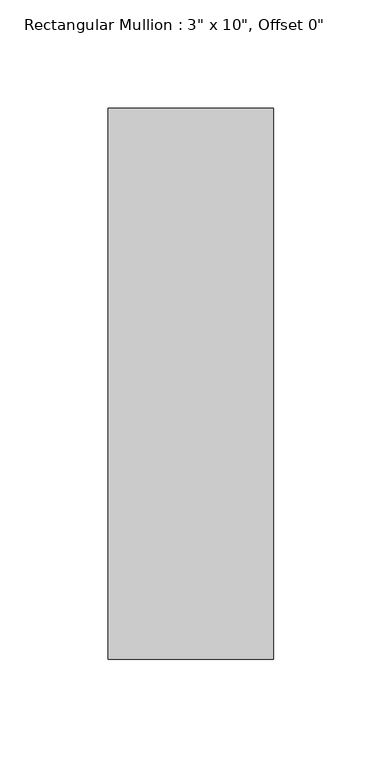
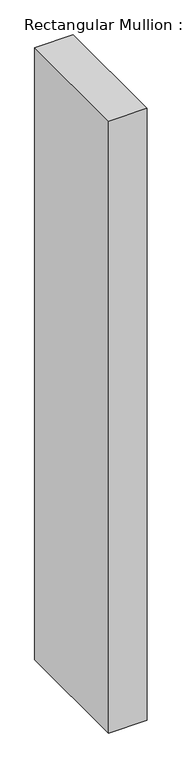
"""IFC4 building model written with IfcOpenShell, lengths in millimetres: member geometry."""

from ifc_helpers import new_model, si_unit, frame, origin, place, context, project, spatial, polyline, outline, extrude, source, transform, mapped, element, save


def member_295a52d1(model_context):
    return source(origin(), model_context, "Body", "SweptSolid", [
        extrude(outline(polyline([(0.0, 127.0), (0.0, -127.0), (-76.2, -127.0), (-76.2, 127.0), (0.0, 127.0)])), frame((0.0, 0.0, -1282.7), z_axis=(0.0, 0.0, 1.0), x_axis=(1.0, 0.0, 0.0)), (0.0, 0.0, 1.0), 1282.7),
    ])


if __name__ == "__main__":
    model = new_model("IFC4")
    model_context = context("Model", 3, world=origin())
    ifc_project = project(units=[si_unit("LENGTHUNIT", "METRE", prefix="MILLI")], contexts=[model_context])
    site = spatial("IfcSite", under=ifc_project)
    building = spatial("IfcBuilding", under=site)
    placement = place(None, origin())
    member_shape = member_295a52d1(model_context)
    element("IfcMember", 1, ObjectType="Rectangular Mullion : 3\" x 10\", Offset 0\"", at=placement, inside=building, context=model_context, shape_type="MappedRepresentation", body=[
        mapped(member_shape, transform((0.0, 0.0, 0.0), x_axis=(1.0, 0.0, 0.0), y_axis=(0.0, 1.0, 0.0), z_axis=(0.0, 0.0, 1.0))),
    ])
    save(model, "model.ifc")
